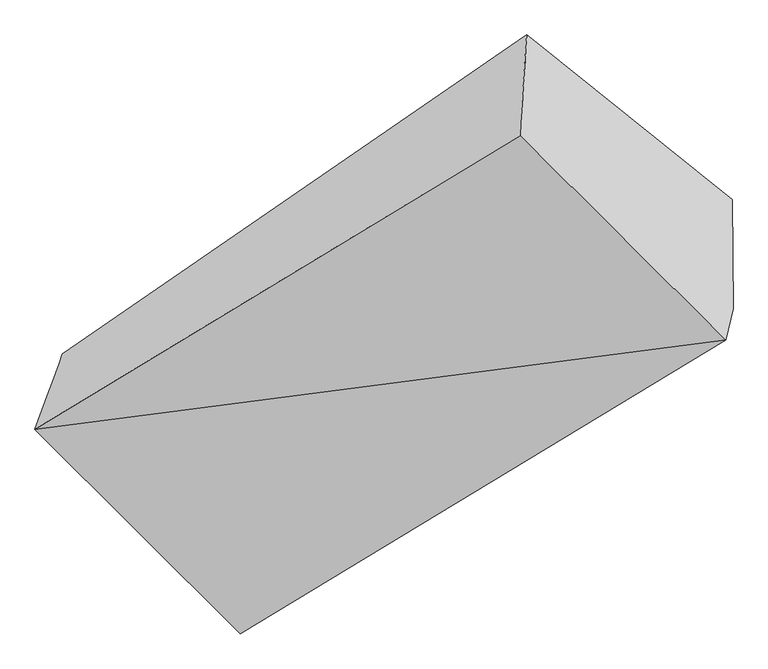
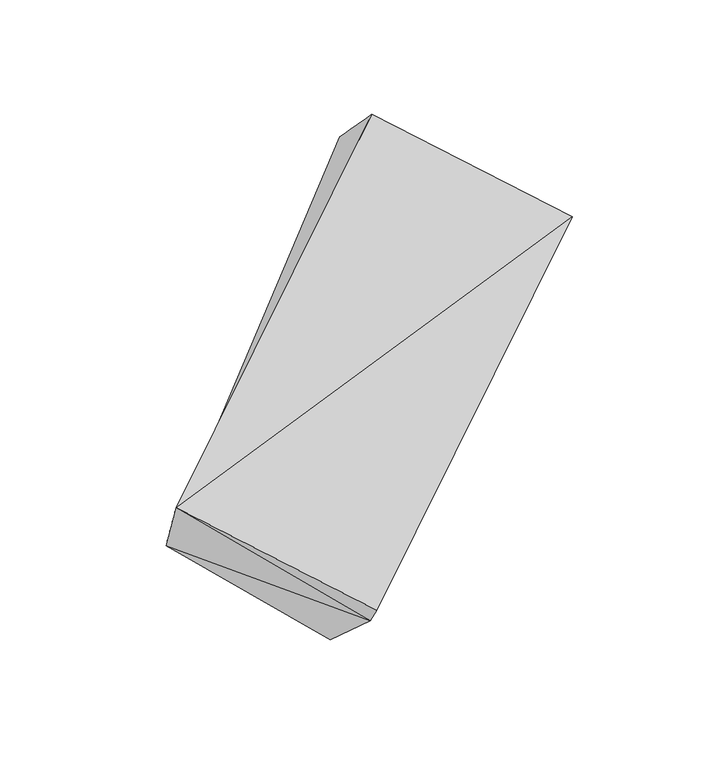
"""IFC4 building model written with IfcOpenShell, lengths in millimetres: proxy geometry."""

from ifc_helpers import new_model, si_unit, frame, origin, place, context, project, spatial, source, transform, mapped, element, save
from ifc_brep_helpers import plane_surface, spline_surface, advanced_brep


def generic_models_4d0dac8d(model_context):
    return source(origin(), model_context, "Body", "AdvancedBrep", [
        advanced_brep(
        [(-3743.2953862, -1540.1393132, 1456.839959), (-3818.5133501, -1746.3467896, 1785.2962178), (-2493.4053981, -943.6691654, 2667.3533076), (-2475.2038794, -668.2039239, 2389.3341572), (-3256.9649033, -2304.5840376, 1449.6855551), (-1931.8569512, -1501.9064133, 2331.7426449), (-3236.6009842, -2218.7454437, 1340.9793151), (-1911.4930321, -1416.0678195, 2223.0364049), (-3239.0432407, -1920.8209867, 1073.5351274), (-1913.9352886, -1118.1433624, 1955.5922172)],
        [
            (0, 1),
            (1, 2),
            (2, 3),
            (3, 0),
            (1, 4),
            (4, 5),
            (5, 1),
            (4, 6),
            (6, 7),
            (7, 5),
            (6, 8),
            (8, 9),
            (9, 7),
            (8, 0),
            (3, 9),
            (2, 5),
            (6, 1),
            (0, 6),
        ],
        [
            spline_surface(1, 1, [[(-3743.2953862, -1540.1393132, 1456.839959), (-2475.2038794, -668.2039239, 2389.3341572)], [(-3818.5133501, -1746.3467896, 1785.2962178), (-2493.4053981, -943.6691654, 2667.3533076)]], [2, 2], [2, 2], [0.0, 1.0], [0.0, 1.0]),
            plane_surface(frame((-3537.7391267, -2025.4654136, 1617.4908865), z_axis=(-0.1454565649465654, -0.6131328129581093, 0.7764731427345197), x_axis=(0.6529633102669599, -0.6491130789709658, -0.3902449566029608))),
            plane_surface(frame((-3246.7829438, -2261.6647407, 1395.3324351), z_axis=(0.6529633102669654, -0.6491130789709598, -0.39024495660296127), x_axis=(0.1454565649465621, 0.6131328129581124, -0.7764731427345178))),
            plane_surface(frame((-3237.8221125, -2069.7832152, 1207.2572213), z_axis=(0.668940569664124, -0.49350205797520275, -0.5558545070714791), x_axis=(-0.00610009002270924, 0.7441339626648643, -0.6680025707363717))),
            spline_surface(1, 1, [[(-3239.0432407, -1920.8209867, 1073.5351274), (-1913.9352886, -1118.1433624, 1955.5922172)], [(-3743.2953862, -1540.1393132, 1456.839959), (-2475.2038794, -668.2039239, 2389.3341572)]], [2, 2], [2, 2], [0.0, 1.0], [0.0, 1.0]),
            plane_surface(frame((-2145.1789099, -1129.5981369, 2313.4117464), z_axis=(0.7432908604033568, 0.4502447827381475, 0.4947709899114097), x_axis=(-0.00610009002270924, 0.7441339626648643, -0.6680025707363717))),
            plane_surface(frame((-3818.5133501, -1746.3467896, 1785.2962178), z_axis=(-0.14545656494656545, -0.6131328129581093, 0.7764731427345197), x_axis=(0.6529633102669599, -0.6491130789709658, -0.3902449566029608))),
            plane_surface(frame((-3599.4699069, -1835.0771822, 1527.705164), z_axis=(-0.7442022740090944, -0.4755974896820878, -0.4690095981616893), x_axis=(-0.6678508553809078, 0.5421638440732222, 0.5099348989299876))),
            plane_surface(frame((-3437.3597459, -2089.8920903, 1525.3203627), z_axis=(-0.7432908604033549, -0.4502447827381335, -0.494770989911425), x_axis=(-0.1454565649465621, -0.6131328129581124, 0.7764731427345178))),
            plane_surface(frame((-3406.3132037, -1893.2352479, 1290.4514672), z_axis=(-0.7306975587113411, -0.45936196153228714, -0.5050422417882449), x_axis=(0.006100090022709289, -0.7441339626648595, 0.6680025707363771))),
        ],
        [
            (0, [[1, 2, 3, 4]]),
            (1, [[5, 6, 7]]),
            (2, [[8, 9, 10, -6]]),
            (3, [[11, 12, 13, -9]]),
            (4, [[14, -4, 15, -12]]),
            (5, [[-13, -15, -3, 16, -10]]),
            (6, [[-16, -2, -7]]),
            (7, [[17, -1, 18]]),
            (8, [[-8, -5, -17]]),
            (9, [[-11, -18, -14]]),
        ],
    ),
    ])


if __name__ == "__main__":
    model = new_model("IFC4")
    model_context = context("Model", 3, world=origin())
    ifc_project = project(units=[si_unit("LENGTHUNIT", "METRE", prefix="MILLI")], contexts=[model_context])
    site = spatial("IfcSite", under=ifc_project)
    building = spatial("IfcBuilding", under=site)
    placement = place(None, origin())
    generic_models_shape = generic_models_4d0dac8d(model_context)
    element("IfcBuildingElementProxy", 1, Name="Generic Models", at=placement, inside=building, context=model_context, shape_type="MappedRepresentation", body=[
        mapped(generic_models_shape, transform((0.0, 0.0, 0.0), x_axis=(1.0, 0.0, 0.0), y_axis=(0.0, 1.0, 0.0), z_axis=(0.0, 0.0, 1.0))),
    ])
    save(model, "model.ifc")
